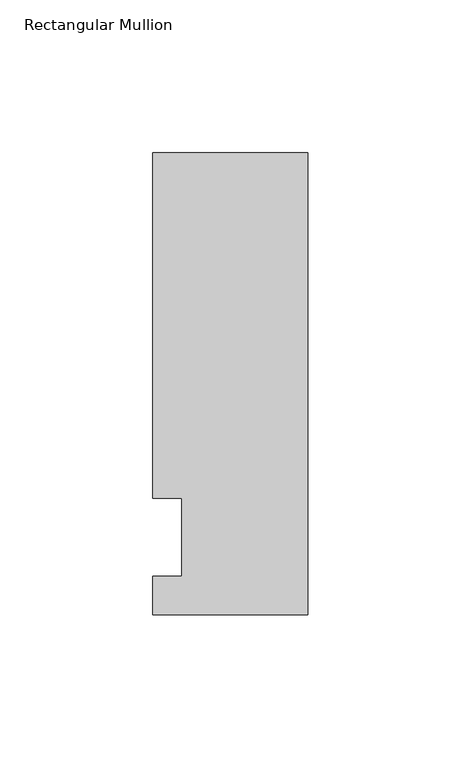
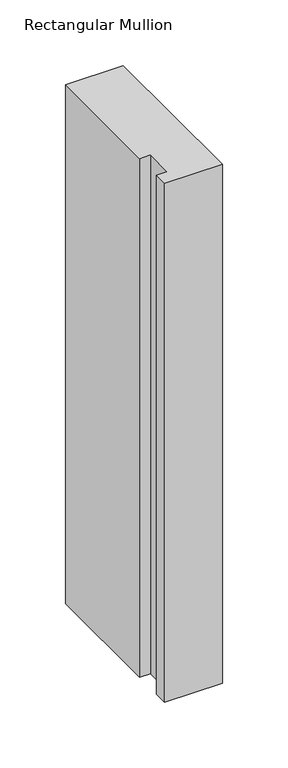
"""IFC4 building model written with IfcOpenShell, lengths in millimetres: member geometry, Rectangular Mullion."""

from ifc_helpers import new_model, si_unit, frame, origin, place, context, project, spatial, polyline, outline, extrude, source, transform, mapped, element, save


def rectangular_mullion_41ced43a(model_context):
    return source(origin(), model_context, "Body", "SweptSolid", [
        extrude(outline(polyline([(-50.8, -25.4508252), (-50.8, -12.7), (-41.275, -12.7), (-41.275, 12.7), (-50.8, 12.7), (-50.8, 125.8533), (0.0, 125.8533), (0.0, -25.4508252), (-50.8, -25.4508252)])), frame((0.0, 0.0, -482.6), z_axis=(0.0, 0.0, 1.0), x_axis=(1.0, 0.0, 0.0)), (0.0, 0.0, 1.0), 482.6),
    ])


if __name__ == "__main__":
    model = new_model("IFC4")
    model_context = context("Model", 3, world=origin())
    ifc_project = project(units=[si_unit("LENGTHUNIT", "METRE", prefix="MILLI")], contexts=[model_context])
    site = spatial("IfcSite", under=ifc_project)
    building = spatial("IfcBuilding", under=site)
    placement = place(None, origin())
    rectangular_mullion_shape = rectangular_mullion_41ced43a(model_context)
    element("IfcMember", 1, ObjectType="Rectangular Mullion", at=placement, inside=building, context=model_context, shape_type="MappedRepresentation", body=[
        mapped(rectangular_mullion_shape, transform((0.0, 0.0, 0.0), x_axis=(1.0, 0.0, 0.0), y_axis=(0.0, 1.0, 0.0), z_axis=(0.0, 0.0, 1.0))),
    ])
    save(model, "model.ifc")
